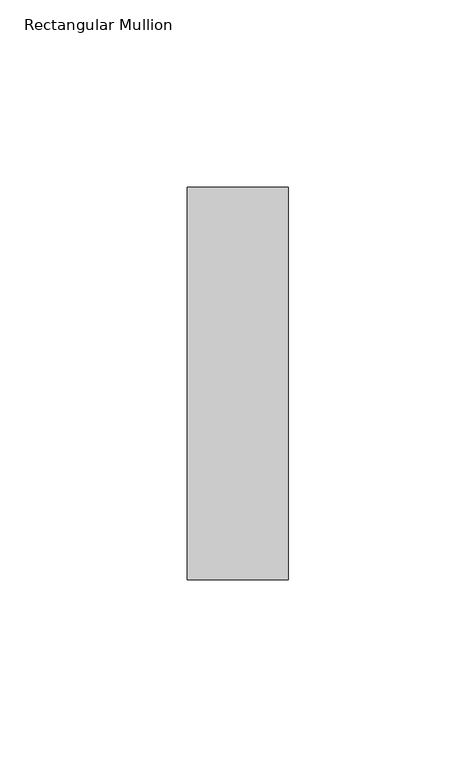
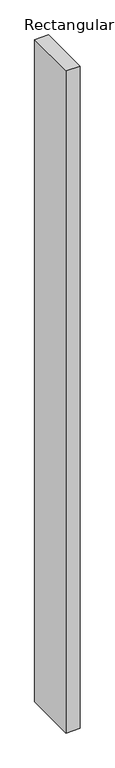
"""IFC4 building model written with IfcOpenShell, lengths in millimetres: member geometry, Rectangular Mullion."""

from ifc_helpers import new_model, si_unit, frame, origin, place, context, project, spatial, polyline, outline, extrude, source, transform, mapped, element, save


def rectangular_mullion_aa03a45b(model_context):
    return source(origin(), model_context, "Body", "SweptSolid", [
        extrude(outline(polyline([(-27.0, 52.3975), (0.0, 52.3975), (0.0, -52.3975), (-27.0, -52.3975), (-27.0, 52.3975)])), frame((0.0, 0.0, -1350.0), z_axis=(0.0, 0.0, 1.0), x_axis=(1.0, 0.0, 0.0)), (0.0, 0.0, 1.0), 1350.0),
    ])


if __name__ == "__main__":
    model = new_model("IFC4")
    model_context = context("Model", 3, world=origin())
    ifc_project = project(units=[si_unit("LENGTHUNIT", "METRE", prefix="MILLI")], contexts=[model_context])
    site = spatial("IfcSite", under=ifc_project)
    building = spatial("IfcBuilding", under=site)
    placement = place(None, origin())
    rectangular_mullion_shape = rectangular_mullion_aa03a45b(model_context)
    element("IfcMember", 1, ObjectType="Rectangular Mullion", at=placement, inside=building, context=model_context, shape_type="MappedRepresentation", body=[
        mapped(rectangular_mullion_shape, transform((0.0, 0.0, 0.0), x_axis=(1.0, 0.0, 0.0), y_axis=(0.0, 1.0, 0.0), z_axis=(0.0, 0.0, 1.0))),
    ])
    save(model, "model.ifc")
